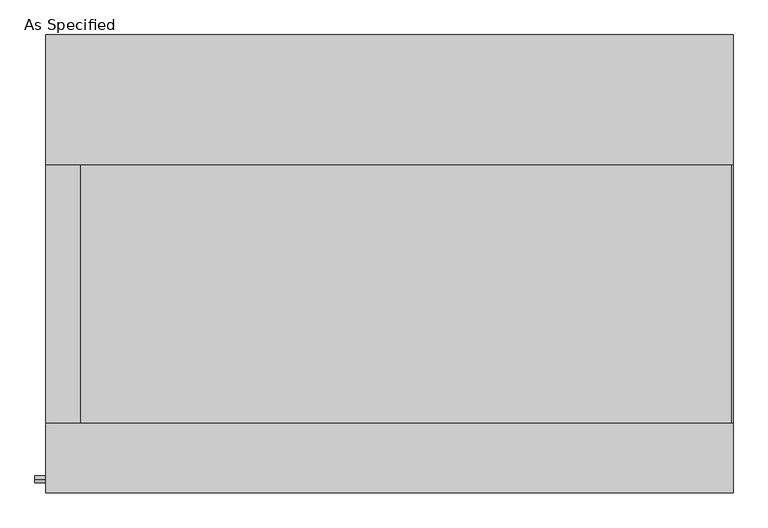
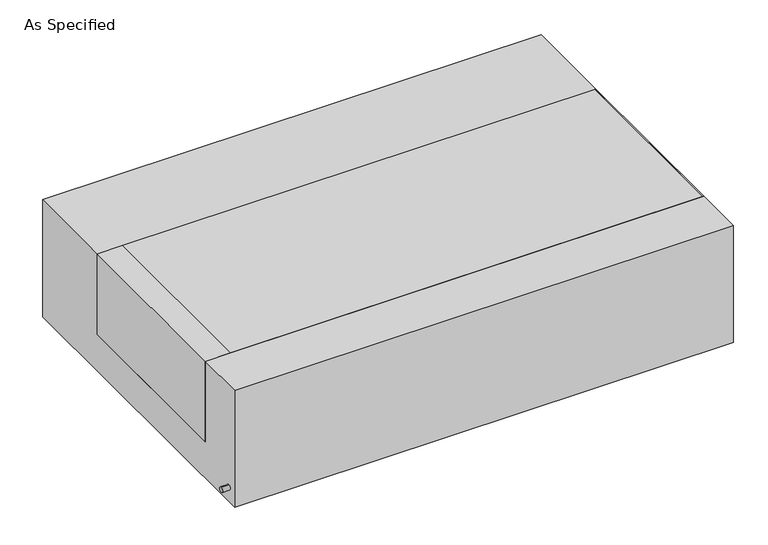
"""IFC4 building model written with IfcOpenShell, lengths in millimetres: proxy geometry, As Specified."""

from ifc_helpers import new_model, si_unit, point, frame, frame_2d, origin, place, context, project, spatial, polyline, circle_curve, trimmed, segment, composite_curve, outline, extrude, source, transform, mapped, element, save


def as_specified_5a7141b0(model_context):
    return source(origin(), model_context, "Body", "SweptSolid", [
        extrude(outline(composite_curve([segment(trimmed(circle_curve(frame_2d((-636.5875, -466.725)), 10.5), [point((-636.5875, -456.225))], [point((-636.5875, -477.225))], False, "CARTESIAN"), True, "CONTINUOUS"), segment(trimmed(circle_curve(frame_2d((-636.5875, -466.725)), 10.5), [point((-636.5875, -477.225))], [point((-636.5875, -456.225))], False, "CARTESIAN"), True, "CONTINUOUS")], self_intersect=False)), frame((-1046.2528384, 0.0, 0.0), z_axis=(1.0, 0.0, 0.0), x_axis=(0.0, 1.0, 0.0)), (0.0, 0.0, 1.0), 31.8403384),
        extrude(outline(polyline([(-912.01875, 292.1), (-912.01875, -469.9), (-1014.4125, -469.9), (-1014.4125, 292.1), (-912.01875, 292.1)])), frame((0.0, 0.0, -373.0625), z_axis=(0.0, 0.0, 1.0), x_axis=(1.0, 0.0, 0.0)), (0.0, 0.0, 1.0), 347.6625),
        extrude(outline(polyline([(1010.44375, 292.1), (1014.4125, 292.1), (1014.4125, -469.9), (1010.44375, -469.9), (1010.44375, 292.1)])), frame((0.0, 0.0, -39.6875), z_axis=(0.0, 0.0, 1.0), x_axis=(1.0, 0.0, 0.0)), (0.0, 0.0, 1.0), 14.2875),
        extrude(outline(polyline([(1014.4125, 292.1), (1014.4125, -469.9), (-912.01875, -469.9), (-912.01875, 292.1), (1014.4125, 292.1)])), frame((0.0, 0.0, -373.0625), z_axis=(0.0, 0.0, 1.0), x_axis=(1.0, 0.0, 0.0)), (0.0, 0.0, 1.0), 347.6625),
        extrude(outline(polyline([(676.275, -25.4), (676.275, -530.225), (-676.275, -530.225), (-676.275, -25.4), (-469.9, -25.4), (-469.9, -373.0625), (292.1, -373.0625), (292.1, -25.4), (676.275, -25.4)])), frame((-1014.4125, 0.0, 0.0), z_axis=(1.0, 0.0, 0.0), x_axis=(0.0, 1.0, 0.0)), (0.0, 0.0, 1.0), 2028.825),
    ])


if __name__ == "__main__":
    model = new_model("IFC4")
    model_context = context("Model", 3, world=origin())
    ifc_project = project(units=[si_unit("LENGTHUNIT", "METRE", prefix="MILLI")], contexts=[model_context])
    site = spatial("IfcSite", under=ifc_project)
    building = spatial("IfcBuilding", under=site)
    placement = place(None, origin())
    as_specified_shape = as_specified_5a7141b0(model_context)
    element("IfcBuildingElementProxy", 1, Name="As Specified", ObjectType="As Specified", at=placement, inside=building, context=model_context, shape_type="MappedRepresentation", body=[
        mapped(as_specified_shape, transform((0.0, 0.0, 0.0), x_axis=(1.0, 0.0, 0.0), y_axis=(0.0, 1.0, 0.0), z_axis=(0.0, 0.0, 1.0))),
    ])
    save(model, "model.ifc")
